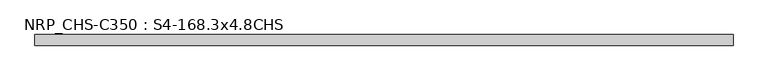
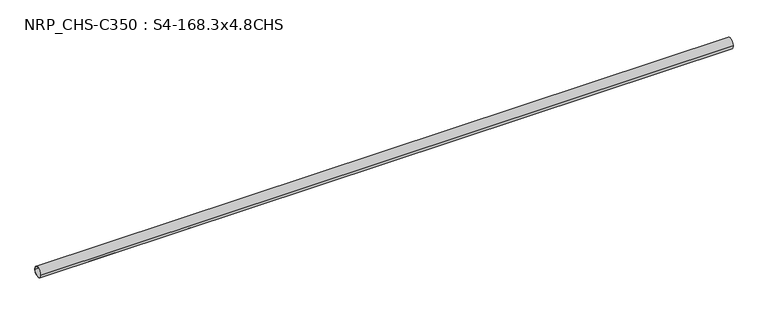
"""IFC4 building model written with IfcOpenShell, lengths in millimetres: beam geometry, NRP_CHS-C350 : S4-168.3x4.8CHS."""

from ifc_helpers import new_model, si_unit, point, frame, origin, origin_2d, place, context, project, spatial, circle_curve, trimmed, segment, composite_curve, outline, extrude, source, transform, mapped, element, save


def nrp_chs_c350_s4_168_3x4_8chs_6d11e93d(model_context):
    return source(origin(), model_context, "Body", "SweptSolid", [
        extrude(outline(composite_curve([segment(trimmed(circle_curve(origin_2d(), 84.15), [point((84.15, 0.0))], [point((-84.15, 0.0))], False, "CARTESIAN"), True, "CONTINUOUS"), segment(trimmed(circle_curve(origin_2d(), 84.15), [point((-84.15, 0.0))], [point((84.15, 0.0))], False, "CARTESIAN"), True, "CONTINUOUS")], self_intersect=False), holes=[composite_curve([segment(trimmed(circle_curve(origin_2d(), 79.35), [point((-79.35, 0.0))], [point((79.35, 0.0))], True, "CARTESIAN"), True, "CONTINUOUS"), segment(trimmed(circle_curve(origin_2d(), 79.35), [point((79.35, 0.0))], [point((-79.35, 0.0))], True, "CARTESIAN"), True, "CONTINUOUS")], self_intersect=False)]), frame((-5542.3, 0.0, 0.0), z_axis=(1.0, 0.0, 0.0), x_axis=(0.0, 1.0, 0.0)), (0.0, 0.0, 1.0), 11090.6),
    ])


if __name__ == "__main__":
    model = new_model("IFC4")
    model_context = context("Model", 3, world=origin())
    ifc_project = project(units=[si_unit("LENGTHUNIT", "METRE", prefix="MILLI")], contexts=[model_context])
    site = spatial("IfcSite", under=ifc_project)
    building = spatial("IfcBuilding", under=site)
    placement = place(None, origin())
    nrp_chs_c350_s4_168_3x4_8chs_shape = nrp_chs_c350_s4_168_3x4_8chs_6d11e93d(model_context)
    element("IfcBeam", 1, ObjectType="NRP_CHS-C350 : S4-168.3x4.8CHS", at=placement, inside=building, context=model_context, shape_type="MappedRepresentation", body=[
        mapped(nrp_chs_c350_s4_168_3x4_8chs_shape, transform((0.0, 0.0, 0.0), x_axis=(1.0, 0.0, 0.0), y_axis=(0.0, 1.0, 0.0), z_axis=(0.0, 0.0, 1.0))),
    ])
    save(model, "model.ifc")
